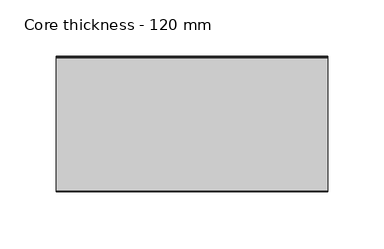
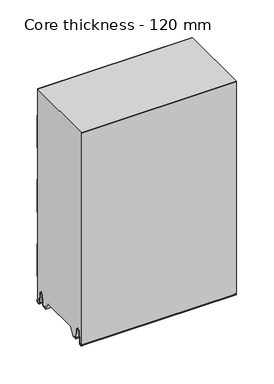
"""IFC4 building model written with IfcOpenShell, lengths in millimetres: plate geometry, Core thickness - 120 mm."""

from ifc_helpers import new_model, si_unit, frame, origin, place, context, project, spatial, polyline, circle_curve, source, transform, mapped, element, save
from ifc_brep_helpers import plane_surface, cylinder_surface, revolved_surface, advanced_brep


def core_thickness_120_mm_6b012c5b(model_context):
    return source(origin(), model_context, "Body", "AdvancedBrep", [
        advanced_brep(
        [(119.9999998, -119.9996949, 3.0900682), (119.9999998, -113.81449, 2.7875612), (119.9999998, -112.197116, 19.2828169), (119.9999998, -109.1776715, 21.9898782), (119.9999998, -106.1582271, 19.2828169), (119.9999998, -104.7725998, 5.1510966), (119.9999998, -100.3830995, 5.365779), (119.9999998, -101.1830995, 5.365779), (119.9999998, -103.9764178, 5.2291629), (119.9999998, -105.3620451, 19.3608832), (119.9999998, -109.1776715, 22.7899182), (119.9999998, -112.9932979, 19.3608832), (119.9999998, -114.6106719, 2.8656275), (119.9999998, -119.1996949, 3.0900682), (119.9999998, -119.2, 350.0), (119.9999998, -119.9996949, 350.0), (-119.9999998, -119.1996949, 3.0900682), (-119.9999998, -114.6106719, 2.8656275), (-119.9999998, -112.9932979, 19.3608832), (-119.9999998, -109.1776715, 22.7899182), (-119.9999998, -105.3620451, 19.3608832), (-119.9999998, -103.9764178, 5.2291629), (-119.9999998, -101.1830995, 5.365779), (-119.9999998, -100.3830995, 5.365779), (-119.9999998, -104.7725998, 5.1510966), (-119.9999998, -106.1582271, 19.2828169), (-119.9999998, -109.1776715, 21.9898782), (-119.9999998, -112.197116, 19.2828169), (-119.9999998, -113.81449, 2.7875612), (-119.9999998, -119.9996949, 3.0900682), (-119.9999998, -119.9996949, 350.0), (-119.9999998, -119.2, 350.0)],
        [
            (0, 1, circle_curve(frame((119.9999998, -116.8996949, 3.0900682), z_axis=(1.0, 0.0, 0.0), x_axis=(0.0, 0.0, -1.0)), 3.1)),
            (1, 2),
            (2, 3, circle_curve(frame((119.9999998, -109.2114338, 18.9900682), z_axis=(-1.0, 0.0, 0.0), x_axis=(0.0, 0.0, -1.0)), 3.0)),
            (3, 4, circle_curve(frame((119.9999998, -109.1439093, 18.9900682), z_axis=(-1.0, 0.0, 0.0), x_axis=(0.0, 0.0, -1.0)), 3.0)),
            (4, 5),
            (5, 6, circle_curve(frame((119.9999998, -102.5830995, 5.365779), z_axis=(1.0, 0.0, 0.0), x_axis=(0.0, 0.0, -1.0)), 2.2)),
            (6, 7),
            (7, 8, circle_curve(frame((119.9999998, -102.5830995, 5.365779), z_axis=(-1.0, 0.0, 0.0), x_axis=(0.0, 0.0, -1.0)), 1.4)),
            (8, 9),
            (9, 10, circle_curve(frame((119.9999998, -109.1439093, 18.9900682), z_axis=(1.0, 0.0, 0.0), x_axis=(0.0, 0.0, -1.0)), 3.8)),
            (10, 11, circle_curve(frame((119.9999998, -109.2114338, 18.9900682), z_axis=(1.0, 0.0, 0.0), x_axis=(0.0, 0.0, -1.0)), 3.8)),
            (11, 12),
            (12, 13, circle_curve(frame((119.9999998, -116.8996949, 3.0900682), z_axis=(-1.0, 0.0, 0.0), x_axis=(0.0, 0.0, -1.0)), 2.3)),
            (13, 14),
            (14, 15),
            (15, 0),
            (16, 17, circle_curve(frame((-119.9999998, -116.8996949, 3.0900682), z_axis=(1.0, 0.0, 0.0), x_axis=(0.0, 0.0, -1.0)), 2.3)),
            (17, 18),
            (18, 19, circle_curve(frame((-119.9999998, -109.2114338, 18.9900682), z_axis=(-1.0, 0.0, 0.0), x_axis=(0.0, 0.0, -1.0)), 3.8)),
            (19, 20, circle_curve(frame((-119.9999998, -109.1439093, 18.9900682), z_axis=(-1.0, 0.0, 0.0), x_axis=(0.0, 0.0, -1.0)), 3.8)),
            (20, 21),
            (21, 22, circle_curve(frame((-119.9999998, -102.5830995, 5.365779), z_axis=(1.0, 0.0, 0.0), x_axis=(0.0, 0.0, -1.0)), 1.4)),
            (22, 23),
            (23, 24, circle_curve(frame((-119.9999998, -102.5830995, 5.365779), z_axis=(-1.0, 0.0, 0.0), x_axis=(0.0, 0.0, -1.0)), 2.2)),
            (24, 25),
            (25, 26, circle_curve(frame((-119.9999998, -109.1439093, 18.9900682), z_axis=(1.0, 0.0, 0.0), x_axis=(0.0, 0.0, -1.0)), 3.0)),
            (26, 27, circle_curve(frame((-119.9999998, -109.2114338, 18.9900682), z_axis=(1.0, 0.0, 0.0), x_axis=(0.0, 0.0, -1.0)), 3.0)),
            (27, 28),
            (28, 29, circle_curve(frame((-119.9999998, -116.8996949, 3.0900682), z_axis=(-1.0, 0.0, 0.0), x_axis=(0.0, 0.0, -1.0)), 3.1)),
            (29, 30),
            (30, 31),
            (31, 16),
            (13, 16),
            (31, 14),
            (29, 0),
            (15, 30),
            (12, 17),
            (11, 18),
            (10, 19),
            (9, 20),
            (8, 21),
            (7, 22),
            (6, 23),
            (5, 24),
            (4, 25),
            (3, 26),
            (2, 27),
            (1, 28),
        ],
        [
            plane_surface(frame((119.9999998, -120.0, 0.0), z_axis=(1.0, 0.0, 0.0), x_axis=(0.0, 1.0, 0.0))),
            plane_surface(frame((-119.9999998, -120.0, 0.0), z_axis=(-1.0, 0.0, 0.0), x_axis=(0.0, 1.0, 0.0))),
            plane_surface(frame((119.9999998, -119.2, 3.0900682), z_axis=(0.0, 1.0, 0.0), x_axis=(-1.0, 0.0, 0.0))),
            plane_surface(frame((119.9999998, -119.9996949, 1143.9000005), z_axis=(0.0, -1.0, 0.0), x_axis=(-1.0, 0.0, 0.0))),
            revolved_surface(polyline([(-119.9999998, -116.8996949, 0.7900682000000003), (119.9999998, -116.8996949, 0.7900682000000003)]), (119.9999998, -116.8996949, 3.0900682), (-1.0, 0.0, 0.0)),
            plane_surface(frame((119.9999998, -112.9932979, 19.3608832), z_axis=(0.0, -0.9952273999818314, 0.09758289975914787), x_axis=(-1.0, 0.0, 0.0))),
            cylinder_surface(frame((119.9999998, -109.2114338, 18.9900682), z_axis=(1.0, 0.0, 0.0), x_axis=(0.0, 0.0, -1.0)), 3.8),
            cylinder_surface(frame((119.9999998, -109.1439093, 18.9900682), z_axis=(1.0, 0.0, 0.0), x_axis=(0.0, 0.0, -1.0)), 3.8),
            plane_surface(frame((119.9999998, -103.9764178, 5.2291629), z_axis=(0.0, 0.9952273999818297, 0.09758289975916531), x_axis=(-1.0, 0.0, 0.0))),
            revolved_surface(polyline([(-119.9999998, -102.5830995, 3.965779), (119.9999998, -102.5830995, 3.965779)]), (119.9999998, -102.5830995, 5.365779), (-1.0, 0.0, 0.0)),
            plane_surface(frame((119.9999998, -100.3830995, 5.365779), z_axis=(0.0, 0.0, 1.0), x_axis=(-1.0, 0.0, 0.0))),
            cylinder_surface(frame((119.9999998, -102.5830995, 5.365779), z_axis=(1.0, 0.0, 0.0), x_axis=(0.0, 0.0, -1.0)), 2.2),
            plane_surface(frame((119.9999998, -106.1582271, 19.2828169), z_axis=(0.0, -0.9952273999818296, -0.09758289975916527), x_axis=(-1.0, 0.0, 0.0))),
            revolved_surface(polyline([(-119.9999998, -109.1439093, 15.9900682), (119.9999998, -109.1439093, 15.9900682)]), (119.9999998, -109.1439093, 18.9900682), (-1.0, 0.0, 0.0)),
            revolved_surface(polyline([(-119.9999998, -109.2114338, 15.9900682), (119.9999998, -109.2114338, 15.9900682)]), (119.9999998, -109.2114338, 18.9900682), (-1.0, 0.0, 0.0)),
            plane_surface(frame((119.9999998, -113.81449, 2.7875612), z_axis=(0.0, 0.9952273999818314, -0.09758289975914787), x_axis=(-1.0, 0.0, 0.0))),
            cylinder_surface(frame((119.9999998, -116.8996949, 3.0900682), z_axis=(1.0, 0.0, 0.0), x_axis=(0.0, 0.0, -1.0)), 3.1),
            plane_surface(frame((-119.9999998, 134.0533409, 350.0), z_axis=(0.0, 0.0, 1.0), x_axis=(1.0, 0.0, 0.0))),
        ],
        [
            (0, [[1, 2, 3, 4, 5, 6, 7, 8, 9, 10, 11, 12, 13, 14, 15, 16]]),
            (1, [[17, 18, 19, 20, 21, 22, 23, 24, 25, 26, 27, 28, 29, 30, 31, 32]]),
            (2, [[33, -32, 34, -14]]),
            (3, [[35, -16, 36, -30]]),
            (4, [[-13, 37, -17, -33]]),
            (5, [[-12, 38, -18, -37]]),
            (6, [[-11, 39, -19, -38]]),
            (7, [[-10, 40, -20, -39]]),
            (8, [[-9, 41, -21, -40]]),
            (9, [[-8, 42, -22, -41]]),
            (10, [[-7, 43, -23, -42]]),
            (11, [[-6, 44, -24, -43]]),
            (12, [[-5, 45, -25, -44]]),
            (13, [[-4, 46, -26, -45]]),
            (14, [[-3, 47, -27, -46]]),
            (15, [[-2, 48, -28, -47]]),
            (16, [[-1, -35, -29, -48]]),
            (17, [[-15, -34, -31, -36]]),
        ],
    ),
        advanced_brep(
        [(119.9999998, -89.873448, 15.1417681), (119.9999998, -30.126552, 15.1417681), (119.9999998, -23.4071318, 3.165779), (119.9999998, -17.4169005, 3.165779), (119.9999998, -19.6169005, 5.365779), (119.9999998, -18.8169005, 5.365779), (119.9999998, -16.0235822, 5.2291629), (119.9999998, -14.6379549, 19.3608832), (119.9999998, -10.8223285, 22.7899182), (119.9999998, -7.0067021, 19.3608832), (119.9999998, -5.3893281, 2.8656275), (119.9999998, -1.0794848, 4.1883784), (119.9999998, -1.5003051, 5.8439114), (119.9999998, -1.5003051, 42.0511837), (119.9999998, -1.0971009, 43.4705951), (119.9999998, -0.8, 44.5229805), (119.9999998, -0.8, 94.6827637), (119.9999998, -1.0986697, 95.7341795), (119.9999998, -1.5003051, 97.1545605), (119.9999998, -1.5003051, 147.3143437), (119.9999998, -1.0971009, 148.7337551), (119.9999998, -0.8, 149.7861405), (119.9999998, -0.8, 199.9459237), (119.9999998, -1.0986697, 200.9973395), (119.9999998, -1.5003051, 202.4177205), (119.9999998, -1.5003051, 252.5775037), (119.9999998, -1.0971009, 253.9969151), (119.9999998, -0.8, 255.0493005), (119.9999998, -0.8, 305.2090837), (119.9999998, -1.0986697, 306.2604995), (119.9999998, -1.5003051, 307.6808805), (119.9999998, -1.5003051, 350.0), (119.9999998, -119.2, 350.0), (119.9999998, -119.2, 3.0900682), (119.9999998, -114.6106719, 2.8656275), (119.9999998, -112.9932979, 19.3608832), (119.9999998, -109.1776715, 22.7899182), (119.9999998, -105.3620451, 19.3608832), (119.9999998, -103.9764178, 5.2291629), (119.9999998, -101.1830995, 5.365779), (119.9999998, -100.3830995, 5.365779), (119.9999998, -102.5830995, 3.165779), (119.9999998, -96.5928682, 3.165779), (-119.9999998, -30.126552, 15.1417681), (-119.9999998, -89.873448, 15.1417681), (-119.9999998, -96.5928682, 3.165779), (-119.9999998, -102.5830995, 3.165779), (-119.9999998, -100.3830995, 5.365779), (-119.9999998, -101.1830995, 5.365779), (-119.9999998, -103.9764178, 5.2291629), (-119.9999998, -105.3620451, 19.3608832), (-119.9999998, -109.1776715, 22.7899182), (-119.9999998, -112.9932979, 19.3608832), (-119.9999998, -114.6106719, 2.8656275), (-119.9999998, -119.1996949, 3.0900682), (-119.9999998, -119.2, 350.0), (-119.9999998, -1.5003051, 350.0), (-119.9999998, -1.5003051, 307.6808805), (-119.9999998, -1.0971009, 306.2614691), (-119.9999998, -0.8, 305.2090837), (-119.9999998, -0.8, 255.0493005), (-119.9999998, -1.0986697, 253.9978846), (-119.9999998, -1.5003051, 252.5775037), (-119.9999998, -1.5003051, 202.4177205), (-119.9999998, -1.0971009, 200.9983091), (-119.9999998, -0.8, 199.9459237), (-119.9999998, -0.8, 149.7861405), (-119.9999998, -1.0986697, 148.7347246), (-119.9999998, -1.5003051, 147.3143437), (-119.9999998, -1.5003051, 97.1545605), (-119.9999998, -1.0971009, 95.7351491), (-119.9999998, -0.8, 94.6827637), (-119.9999998, -0.8, 44.5229805), (-119.9999998, -1.0986697, 43.4715646), (-119.9999998, -1.5003051, 42.0511837), (-119.9999998, -1.5003051, 5.8439114), (-119.9999998, -1.0794848, 4.1883784), (-119.9999998, -5.3893281, 2.8656275), (-119.9999998, -7.0067021, 19.3608832), (-119.9999998, -10.8223285, 22.7899182), (-119.9999998, -14.6379549, 19.3608832), (-119.9999998, -16.0235822, 5.2291629), (-119.9999998, -18.8169005, 5.365779), (-119.9999998, -19.6169005, 5.365779), (-119.9999998, -17.4169005, 3.165779), (-119.9999998, -23.4071318, 3.165779)],
        [
            (0, 1),
            (1, 2),
            (2, 3),
            (3, 4, circle_curve(frame((119.9999998, -17.4169005, 5.365779), z_axis=(-1.0, 0.0, 0.0), x_axis=(0.0, 0.0, -1.0)), 2.2)),
            (4, 5),
            (5, 6, circle_curve(frame((119.9999998, -17.4169005, 5.365779), z_axis=(1.0, 0.0, 0.0), x_axis=(0.0, 0.0, -1.0)), 1.4)),
            (6, 7),
            (7, 8, circle_curve(frame((119.9999998, -10.8560907, 18.9900682), z_axis=(-1.0, 0.0, 0.0), x_axis=(0.0, 0.0, -1.0)), 3.8)),
            (8, 9, circle_curve(frame((119.9999998, -10.7885662, 18.9900682), z_axis=(-1.0, 0.0, 0.0), x_axis=(0.0, 0.0, -1.0)), 3.8)),
            (9, 10),
            (10, 11, circle_curve(frame((119.9999998, -3.1003051, 3.0900682), z_axis=(1.0, 0.0, 0.0), x_axis=(0.0, 0.0, -1.0)), 2.3)),
            (11, 12, circle_curve(frame((119.9999998, 1.9665895, 5.8439114), z_axis=(-1.0, 0.0, 0.0), x_axis=(0.0, 0.0, -1.0)), 3.4668946)),
            (12, 13),
            (13, 14, circle_curve(frame((119.9999998, 1.1996949, 42.0511837), z_axis=(-1.0, 0.0, 0.0), x_axis=(0.0, 0.0, -1.0)), 2.7)),
            (14, 15, circle_curve(frame((119.9999998, -2.8, 44.5229805), z_axis=(1.0, 0.0, 0.0), x_axis=(0.0, 0.0, -1.0)), 2.0)),
            (15, 16),
            (16, 17, circle_curve(frame((119.9999998, -2.8, 94.6827637), z_axis=(1.0, 0.0, 0.0), x_axis=(0.0, 0.0, -1.0)), 2.0)),
            (17, 18, circle_curve(frame((119.9999998, 1.1996949, 97.1545605), z_axis=(-1.0, 0.0, 0.0), x_axis=(0.0, 0.0, -1.0)), 2.7)),
            (18, 19),
            (19, 20, circle_curve(frame((119.9999998, 1.1996949, 147.3143437), z_axis=(-1.0, 0.0, 0.0), x_axis=(0.0, 0.0, -1.0)), 2.7)),
            (20, 21, circle_curve(frame((119.9999998, -2.8, 149.7861405), z_axis=(1.0, 0.0, 0.0), x_axis=(0.0, 0.0, -1.0)), 2.0)),
            (21, 22),
            (22, 23, circle_curve(frame((119.9999998, -2.8, 199.9459237), z_axis=(1.0, 0.0, 0.0), x_axis=(0.0, 0.0, -1.0)), 2.0)),
            (23, 24, circle_curve(frame((119.9999998, 1.1996949, 202.4177205), z_axis=(-1.0, 0.0, 0.0), x_axis=(0.0, 0.0, -1.0)), 2.7)),
            (24, 25),
            (25, 26, circle_curve(frame((119.9999998, 1.1996949, 252.5775037), z_axis=(-1.0, 0.0, 0.0), x_axis=(0.0, 0.0, -1.0)), 2.7)),
            (26, 27, circle_curve(frame((119.9999998, -2.8, 255.0493005), z_axis=(1.0, 0.0, 0.0), x_axis=(0.0, 0.0, -1.0)), 2.0)),
            (27, 28),
            (28, 29, circle_curve(frame((119.9999998, -2.8, 305.2090837), z_axis=(1.0, 0.0, 0.0), x_axis=(0.0, 0.0, -1.0)), 2.0)),
            (29, 30, circle_curve(frame((119.9999998, 1.1996949, 307.6808805), z_axis=(-1.0, 0.0, 0.0), x_axis=(0.0, 0.0, -1.0)), 2.7)),
            (30, 31),
            (31, 32),
            (32, 33),
            (33, 34, circle_curve(frame((119.9999998, -116.8996949, 3.0900682), z_axis=(1.0, 0.0, 0.0), x_axis=(0.0, 0.0, -1.0)), 2.3)),
            (34, 35),
            (35, 36, circle_curve(frame((119.9999998, -109.2114338, 18.9900682), z_axis=(-1.0, 0.0, 0.0), x_axis=(0.0, 0.0, -1.0)), 3.8)),
            (36, 37, circle_curve(frame((119.9999998, -109.1439093, 18.9900682), z_axis=(-1.0, 0.0, 0.0), x_axis=(0.0, 0.0, -1.0)), 3.8)),
            (37, 38),
            (38, 39, circle_curve(frame((119.9999998, -102.5830995, 5.365779), z_axis=(1.0, 0.0, 0.0), x_axis=(0.0, 0.0, -1.0)), 1.4)),
            (39, 40),
            (40, 41, circle_curve(frame((119.9999998, -102.5830995, 5.365779), z_axis=(-1.0, 0.0, 0.0), x_axis=(0.0, 0.0, -1.0)), 2.2)),
            (41, 42),
            (42, 0),
            (43, 44),
            (44, 45),
            (45, 46),
            (46, 47, circle_curve(frame((-119.9999998, -102.5830995, 5.365779), z_axis=(1.0, 0.0, 0.0), x_axis=(0.0, 0.0, -1.0)), 2.2)),
            (47, 48),
            (48, 49, circle_curve(frame((-119.9999998, -102.5830995, 5.365779), z_axis=(-1.0, 0.0, 0.0), x_axis=(0.0, 0.0, -1.0)), 1.4)),
            (49, 50),
            (50, 51, circle_curve(frame((-119.9999998, -109.1439093, 18.9900682), z_axis=(1.0, 0.0, 0.0), x_axis=(0.0, 0.0, -1.0)), 3.8)),
            (51, 52, circle_curve(frame((-119.9999998, -109.2114338, 18.9900682), z_axis=(1.0, 0.0, 0.0), x_axis=(0.0, 0.0, -1.0)), 3.8)),
            (52, 53),
            (53, 54, circle_curve(frame((-119.9999998, -116.8996949, 3.0900682), z_axis=(-1.0, 0.0, 0.0), x_axis=(0.0, 0.0, -1.0)), 2.3)),
            (54, 55),
            (55, 56),
            (56, 57),
            (57, 58, circle_curve(frame((-119.9999998, 1.1996949, 307.6808805), z_axis=(1.0, 0.0, 0.0), x_axis=(0.0, 0.0, -1.0)), 2.7)),
            (58, 59, circle_curve(frame((-119.9999998, -2.8, 305.2090837), z_axis=(-1.0, 0.0, 0.0), x_axis=(0.0, 0.0, -1.0)), 2.0)),
            (59, 60),
            (60, 61, circle_curve(frame((-119.9999998, -2.8, 255.0493005), z_axis=(-1.0, 0.0, 0.0), x_axis=(0.0, 0.0, -1.0)), 2.0)),
            (61, 62, circle_curve(frame((-119.9999998, 1.1996949, 252.5775037), z_axis=(1.0, 0.0, 0.0), x_axis=(0.0, 0.0, -1.0)), 2.7)),
            (62, 63),
            (63, 64, circle_curve(frame((-119.9999998, 1.1996949, 202.4177205), z_axis=(1.0, 0.0, 0.0), x_axis=(0.0, 0.0, -1.0)), 2.7)),
            (64, 65, circle_curve(frame((-119.9999998, -2.8, 199.9459237), z_axis=(-1.0, 0.0, 0.0), x_axis=(0.0, 0.0, -1.0)), 2.0)),
            (65, 66),
            (66, 67, circle_curve(frame((-119.9999998, -2.8, 149.7861405), z_axis=(-1.0, 0.0, 0.0), x_axis=(0.0, 0.0, -1.0)), 2.0)),
            (67, 68, circle_curve(frame((-119.9999998, 1.1996949, 147.3143437), z_axis=(1.0, 0.0, 0.0), x_axis=(0.0, 0.0, -1.0)), 2.7)),
            (68, 69),
            (69, 70, circle_curve(frame((-119.9999998, 1.1996949, 97.1545605), z_axis=(1.0, 0.0, 0.0), x_axis=(0.0, 0.0, -1.0)), 2.7)),
            (70, 71, circle_curve(frame((-119.9999998, -2.8, 94.6827637), z_axis=(-1.0, 0.0, 0.0), x_axis=(0.0, 0.0, -1.0)), 2.0)),
            (71, 72),
            (72, 73, circle_curve(frame((-119.9999998, -2.8, 44.5229805), z_axis=(-1.0, 0.0, 0.0), x_axis=(0.0, 0.0, -1.0)), 2.0)),
            (73, 74, circle_curve(frame((-119.9999998, 1.1996949, 42.0511837), z_axis=(1.0, 0.0, 0.0), x_axis=(0.0, 0.0, -1.0)), 2.7)),
            (74, 75),
            (75, 76, circle_curve(frame((-119.9999998, 1.9665895, 5.8439114), z_axis=(1.0, 0.0, 0.0), x_axis=(0.0, 0.0, -1.0)), 3.4668946)),
            (76, 77, circle_curve(frame((-119.9999998, -3.1003051, 3.0900682), z_axis=(-1.0, 0.0, 0.0), x_axis=(0.0, 0.0, -1.0)), 2.3)),
            (77, 78),
            (78, 79, circle_curve(frame((-119.9999998, -10.7885662, 18.9900682), z_axis=(1.0, 0.0, 0.0), x_axis=(0.0, 0.0, -1.0)), 3.8)),
            (79, 80, circle_curve(frame((-119.9999998, -10.8560907, 18.9900682), z_axis=(1.0, 0.0, 0.0), x_axis=(0.0, 0.0, -1.0)), 3.8)),
            (80, 81),
            (81, 82, circle_curve(frame((-119.9999998, -17.4169005, 5.365779), z_axis=(-1.0, 0.0, 0.0), x_axis=(0.0, 0.0, -1.0)), 1.4)),
            (82, 83),
            (83, 84, circle_curve(frame((-119.9999998, -17.4169005, 5.365779), z_axis=(1.0, 0.0, 0.0), x_axis=(0.0, 0.0, -1.0)), 2.2)),
            (84, 85),
            (85, 43),
            (1, 43),
            (85, 2),
            (0, 44),
            (42, 45),
            (64, 23),
            (22, 65),
            (63, 24),
            (62, 25),
            (61, 26),
            (60, 27),
            (59, 28),
            (58, 29),
            (57, 30),
            (56, 31),
            (54, 33),
            (32, 55),
            (84, 3),
            (41, 46),
            (83, 4),
            (82, 5),
            (81, 6),
            (80, 7),
            (79, 8),
            (78, 9),
            (77, 10),
            (76, 11),
            (75, 12),
            (74, 13),
            (73, 14),
            (72, 15),
            (71, 16),
            (70, 17),
            (69, 18),
            (68, 19),
            (67, 20),
            (66, 21),
            (53, 34),
            (52, 35),
            (51, 36),
            (50, 37),
            (49, 38),
            (48, 39),
            (47, 40),
        ],
        [
            plane_surface(frame((119.9999998, 0.0, 0.0), z_axis=(1.0, 0.0, 0.0), x_axis=(0.0, -1.0, 0.0))),
            plane_surface(frame((-119.9999998, 0.0, 0.0), z_axis=(-1.0, 0.0, 0.0), x_axis=(0.0, -1.0, 0.0))),
            plane_surface(frame((119.9999998, -30.126552, 15.1417681), z_axis=(0.0, -0.8721062992196836, -0.4893164649399687), x_axis=(-1.0, 0.0, 0.0))),
            plane_surface(frame((119.9999998, -89.873448, 15.1417681), z_axis=(0.0, 0.0, -1.0), x_axis=(-1.0, 0.0, 0.0))),
            plane_surface(frame((119.9999998, -96.8190247, 2.7627014), z_axis=(0.0, 0.8721062992196832, -0.4893164649399697), x_axis=(-1.0, 0.0, 0.0))),
            cylinder_surface(frame((249.9999998, -2.8, 199.9459237), z_axis=(-1.0, 0.0, 0.0), x_axis=(0.0, 0.0, -1.0)), 2.0),
            revolved_surface(polyline([(119.99999980000001, 1.1996949, 199.7177205), (-119.99999980000001, 1.1996949, 199.7177205)]), (249.9999998, 1.1996949, 202.4177205), (1.0, 0.0, 0.0)),
            plane_surface(frame((249.9999998, -1.5003051, 252.5775037), z_axis=(0.0, 1.0, 0.0), x_axis=(-1.0, 0.0, 0.0))),
            revolved_surface(polyline([(119.99999980000001, 1.1996949, 249.8775037), (-119.99999980000001, 1.1996949, 249.8775037)]), (249.9999998, 1.1996949, 252.5775037), (1.0, 0.0, 0.0)),
            cylinder_surface(frame((249.9999998, -2.8, 255.0493005), z_axis=(-1.0, 0.0, 0.0), x_axis=(0.0, 0.0, -1.0)), 2.0),
            plane_surface(frame((249.9999998, -0.8, 305.2090837), z_axis=(0.0, 1.0, 0.0), x_axis=(-1.0, 0.0, 0.0))),
            cylinder_surface(frame((249.9999998, -2.8, 305.2090837), z_axis=(-1.0, 0.0, 0.0), x_axis=(0.0, 0.0, -1.0)), 2.0),
            revolved_surface(polyline([(119.99999980000001, 1.1996949, 304.9808805), (-119.99999980000001, 1.1996949, 304.9808805)]), (249.9999998, 1.1996949, 307.6808805), (1.0, 0.0, 0.0)),
            plane_surface(frame((249.9999998, -1.5003051, 357.8406637), z_axis=(0.0, 1.0, 0.0), x_axis=(-1.0, 0.0, 0.0))),
            plane_surface(frame((249.9999998, -119.2, 3.0900682), z_axis=(0.0, -1.0, 0.0), x_axis=(-1.0, 0.0, 0.0))),
            plane_surface(frame((-119.9999998, -102.5830995, 3.165779), z_axis=(0.0, 0.0, -1.0), x_axis=(1.0, 0.0, 0.0))),
            revolved_surface(polyline([(119.99999980000001, -17.4169005, 3.1657789999999997), (-119.99999980000001, -17.4169005, 3.1657789999999997)]), (249.9999998, -17.4169005, 5.365779), (1.0, 0.0, 0.0)),
            plane_surface(frame((249.9999998, -18.8169005, 5.365779), z_axis=(0.0, 0.0, -1.0), x_axis=(-1.0, 0.0, 0.0))),
            cylinder_surface(frame((249.9999998, -17.4169005, 5.365779), z_axis=(-1.0, 0.0, 0.0), x_axis=(0.0, 0.0, -1.0)), 1.4),
            plane_surface(frame((249.9999998, -14.6379549, 19.3608832), z_axis=(0.0, 0.9952273999818297, -0.09758289975916531), x_axis=(-1.0, 0.0, 0.0))),
            revolved_surface(polyline([(119.99999980000001, -10.8560907, 15.190068199999999), (-119.99999980000001, -10.8560907, 15.190068199999999)]), (249.9999998, -10.8560907, 18.9900682), (1.0, 0.0, 0.0)),
            revolved_surface(polyline([(119.99999980000001, -10.7885662, 15.190068199999999), (-119.99999980000001, -10.7885662, 15.190068199999999)]), (249.9999998, -10.7885662, 18.9900682), (1.0, 0.0, 0.0)),
            plane_surface(frame((249.9999998, -5.3893281, 2.8656275), z_axis=(0.0, -0.9952273999818314, -0.09758289975914787), x_axis=(-1.0, 0.0, 0.0))),
            cylinder_surface(frame((249.9999998, -3.1003051, 3.0900682), z_axis=(-1.0, 0.0, 0.0), x_axis=(0.0, 0.0, -1.0)), 2.3),
            revolved_surface(polyline([(119.99999980000001, 1.9665895, 2.3770168), (-119.99999980000001, 1.9665895, 2.3770168)]), (249.9999998, 1.9665895, 5.8439114), (1.0, 0.0, 0.0)),
            plane_surface(frame((249.9999998, -1.5003051, 42.0511837), z_axis=(0.0, 1.0, 0.0), x_axis=(-1.0, 0.0, 0.0))),
            revolved_surface(polyline([(119.99999980000001, 1.1996949, 39.3511837), (-119.99999980000001, 1.1996949, 39.3511837)]), (249.9999998, 1.1996949, 42.0511837), (1.0, 0.0, 0.0)),
            cylinder_surface(frame((249.9999998, -2.8, 44.5229805), z_axis=(-1.0, 0.0, 0.0), x_axis=(0.0, 0.0, -1.0)), 2.0),
            plane_surface(frame((249.9999998, -0.8, 94.6827637), z_axis=(0.0, 1.0, 0.0), x_axis=(-1.0, 0.0, 0.0))),
            cylinder_surface(frame((249.9999998, -2.8, 94.6827637), z_axis=(-1.0, 0.0, 0.0), x_axis=(0.0, 0.0, -1.0)), 2.0),
            revolved_surface(polyline([(119.99999980000001, 1.1996949, 94.4545605), (-119.99999980000001, 1.1996949, 94.4545605)]), (249.9999998, 1.1996949, 97.1545605), (1.0, 0.0, 0.0)),
            plane_surface(frame((249.9999998, -1.5003051, 147.3143437), z_axis=(0.0, 1.0, 0.0), x_axis=(-1.0, 0.0, 0.0))),
            revolved_surface(polyline([(119.99999980000001, 1.1996949, 144.6143437), (-119.99999980000001, 1.1996949, 144.6143437)]), (249.9999998, 1.1996949, 147.3143437), (1.0, 0.0, 0.0)),
            cylinder_surface(frame((249.9999998, -2.8, 149.7861405), z_axis=(-1.0, 0.0, 0.0), x_axis=(0.0, 0.0, -1.0)), 2.0),
            plane_surface(frame((249.9999998, -0.8, 199.9459237), z_axis=(0.0, 1.0, 0.0), x_axis=(-1.0, 0.0, 0.0))),
            cylinder_surface(frame((249.9999998, -116.8996949, 3.0900682), z_axis=(-1.0, 0.0, 0.0), x_axis=(0.0, 0.0, -1.0)), 2.3),
            plane_surface(frame((249.9999998, -112.9932979, 19.3608832), z_axis=(0.0, 0.9952273999818314, -0.09758289975914787), x_axis=(-1.0, 0.0, 0.0))),
            revolved_surface(polyline([(119.99999980000001, -109.2114338, 15.190068199999999), (-119.99999980000001, -109.2114338, 15.190068199999999)]), (249.9999998, -109.2114338, 18.9900682), (1.0, 0.0, 0.0)),
            revolved_surface(polyline([(119.99999980000001, -109.1439093, 15.190068199999999), (-119.99999980000001, -109.1439093, 15.190068199999999)]), (249.9999998, -109.1439093, 18.9900682), (1.0, 0.0, 0.0)),
            plane_surface(frame((249.9999998, -103.9764178, 5.2291629), z_axis=(0.0, -0.9952273999818297, -0.09758289975916531), x_axis=(-1.0, 0.0, 0.0))),
            cylinder_surface(frame((249.9999998, -102.5830995, 5.365779), z_axis=(-1.0, 0.0, 0.0), x_axis=(0.0, 0.0, -1.0)), 1.4),
            plane_surface(frame((249.9999998, -100.3830995, 5.365779), z_axis=(0.0, 0.0, -1.0), x_axis=(-1.0, 0.0, 0.0))),
            revolved_surface(polyline([(119.99999980000001, -102.5830995, 3.1657789999999997), (-119.99999980000001, -102.5830995, 3.1657789999999997)]), (249.9999998, -102.5830995, 5.365779), (1.0, 0.0, 0.0)),
            plane_surface(frame((-119.9999998, 134.0533409, 350.0), z_axis=(0.0, 0.0, 1.0), x_axis=(1.0, 0.0, 0.0))),
        ],
        [
            (0, [[1, 2, 3, 4, 5, 6, 7, 8, 9, 10, 11, 12, 13, 14, 15, 16, 17, 18, 19, 20, 21, 22, 23, 24, 25, 26, 27, 28, 29, 30, 31, 32, 33, 34, 35, 36, 37, 38, 39, 40, 41, 42, 43]]),
            (1, [[44, 45, 46, 47, 48, 49, 50, 51, 52, 53, 54, 55, 56, 57, 58, 59, 60, 61, 62, 63, 64, 65, 66, 67, 68, 69, 70, 71, 72, 73, 74, 75, 76, 77, 78, 79, 80, 81, 82, 83, 84, 85, 86]]),
            (2, [[87, -86, 88, -2]]),
            (3, [[-1, 89, -44, -87]]),
            (4, [[-89, -43, 90, -45]]),
            (5, [[91, -23, 92, -65]]),
            (6, [[-91, -64, 93, -24]]),
            (7, [[-93, -63, 94, -25]]),
            (8, [[-94, -62, 95, -26]]),
            (9, [[-95, -61, 96, -27]]),
            (10, [[-96, -60, 97, -28]]),
            (11, [[-97, -59, 98, -29]]),
            (12, [[-98, -58, 99, -30]]),
            (13, [[-99, -57, 100, -31]]),
            (14, [[101, -33, 102, -55]]),
            (15, [[-3, -88, -85, 103]]),
            (15, [[-42, 104, -46, -90]]),
            (16, [[105, -4, -103, -84]]),
            (17, [[-105, -83, 106, -5]]),
            (18, [[-106, -82, 107, -6]]),
            (19, [[-107, -81, 108, -7]]),
            (20, [[-108, -80, 109, -8]]),
            (21, [[-109, -79, 110, -9]]),
            (22, [[-110, -78, 111, -10]]),
            (23, [[-111, -77, 112, -11]]),
            (24, [[-112, -76, 113, -12]]),
            (25, [[-113, -75, 114, -13]]),
            (26, [[-114, -74, 115, -14]]),
            (27, [[-115, -73, 116, -15]]),
            (28, [[-116, -72, 117, -16]]),
            (29, [[-117, -71, 118, -17]]),
            (30, [[-118, -70, 119, -18]]),
            (31, [[-119, -69, 120, -19]]),
            (32, [[-120, -68, 121, -20]]),
            (33, [[-121, -67, 122, -21]]),
            (34, [[-122, -66, -92, -22]]),
            (35, [[-101, -54, 123, -34]]),
            (36, [[-123, -53, 124, -35]]),
            (37, [[-124, -52, 125, -36]]),
            (38, [[-125, -51, 126, -37]]),
            (39, [[-126, -50, 127, -38]]),
            (40, [[-127, -49, 128, -39]]),
            (41, [[-128, -48, 129, -40]]),
            (42, [[-129, -47, -104, -41]]),
            (43, [[-100, -56, -102, -32]]),
        ],
    ),
        advanced_brep(
        [(-119.9999998, -0.7003051, 307.6808805), (-119.9999998, -0.4016712, 306.6295226), (-119.9999998, -0.0003051, 305.2090837), (-119.9999998, -0.0003051, 255.0493005), (-119.9999998, -0.4034608, 253.6299674), (-119.9999998, -0.7003051, 252.5775037), (-119.9999998, -0.7003051, 202.4177205), (-119.9999998, -0.4016712, 201.3663626), (-119.9999998, -0.0003051, 199.9459237), (-119.9999998, -0.0003051, 149.7861405), (-119.9999998, -0.4034608, 148.3668074), (-119.9999998, -0.7003051, 147.3143437), (-119.9999998, -0.7003051, 97.1545605), (-119.9999998, -0.4016712, 96.1032026), (-119.9999998, -0.0003051, 94.6827637), (-119.9999998, -0.0003051, 44.5229805), (-119.9999998, -0.4034608, 43.1036474), (-119.9999998, -0.7003051, 42.0511837), (-119.9999998, -0.7003051, 6.8391397), (-119.9999998, -0.2091664, 4.208691), (-119.9999998, -6.18551, 2.7875612), (-119.9999998, -7.802884, 19.2828169), (-119.9999998, -10.8223285, 21.9898782), (-119.9999998, -13.8417729, 19.2828169), (-119.9999998, -15.2274002, 5.1510966), (-119.9999998, -19.6169005, 5.365779), (-119.9999998, -18.8169005, 5.365779), (-119.9999998, -16.0235822, 5.2291629), (-119.9999998, -14.6379549, 19.3608832), (-119.9999998, -10.8223285, 22.7899182), (-119.9999998, -7.0067021, 19.3608832), (-119.9999998, -5.3893281, 2.8656275), (-119.9999998, -1.0794848, 4.1883784), (-119.9999998, -1.5003051, 5.8439114), (-119.9999998, -1.5003051, 42.0511837), (-119.9999998, -1.0971009, 43.4705951), (-119.9999998, -0.8, 44.5229805), (-119.9999998, -0.8, 94.6827637), (-119.9999998, -1.0986697, 95.7341795), (-119.9999998, -1.5003051, 97.1545605), (-119.9999998, -1.5003051, 147.3143437), (-119.9999998, -1.0971009, 148.7337551), (-119.9999998, -0.8, 149.7861405), (-119.9999998, -0.8, 199.9459237), (-119.9999998, -1.0986697, 200.9973395), (-119.9999998, -1.5003051, 202.4177205), (-119.9999998, -1.5003051, 252.5775037), (-119.9999998, -1.0971009, 253.9969151), (-119.9999998, -0.8, 255.0493005), (-119.9999998, -0.8, 305.2090837), (-119.9999998, -1.0986697, 306.2604995), (-119.9999998, -1.5003051, 307.6808805), (-119.9999998, -1.5003051, 350.0), (-119.9999998, -0.7003051, 350.0), (119.9999998, -1.5003051, 307.6808805), (119.9999998, -1.0971009, 306.2614691), (119.9999998, -0.8, 305.2090837), (119.9999998, -0.8, 255.0493005), (119.9999998, -1.0986697, 253.9978846), (119.9999998, -1.5003051, 252.5775037), (119.9999998, -1.5003051, 202.4177205), (119.9999998, -1.0971009, 200.9983091), (119.9999998, -0.8, 199.9459237), (119.9999998, -0.8, 149.7861405), (119.9999998, -1.0986697, 148.7347246), (119.9999998, -1.5003051, 147.3143437), (119.9999998, -1.5003051, 97.1545605), (119.9999998, -1.0971009, 95.7351491), (119.9999998, -0.8, 94.6827637), (119.9999998, -0.8, 44.5229805), (119.9999998, -1.0986697, 43.4715646), (119.9999998, -1.5003051, 42.0511837), (119.9999998, -1.5003051, 5.8439114), (119.9999998, -1.0794848, 4.1883784), (119.9999998, -5.3893281, 2.8656275), (119.9999998, -7.0067021, 19.3608832), (119.9999998, -10.8223285, 22.7899182), (119.9999998, -14.6379549, 19.3608832), (119.9999998, -16.0235822, 5.2291629), (119.9999998, -18.8169005, 5.365779), (119.9999998, -19.6169005, 5.365779), (119.9999998, -15.2274002, 5.1510966), (119.9999998, -13.8417729, 19.2828169), (119.9999998, -10.8223285, 21.9898782), (119.9999998, -7.802884, 19.2828169), (119.9999998, -6.18551, 2.7875612), (119.9999998, -0.2091664, 4.208691), (119.9999998, -0.7003051, 6.8391397), (119.9999998, -0.7003051, 42.0511837), (119.9999998, -0.4016712, 43.1025415), (119.9999998, -0.0003051, 44.5229805), (119.9999998, -0.0003051, 94.6827637), (119.9999998, -0.4034608, 96.1020968), (119.9999998, -0.7003051, 97.1545605), (119.9999998, -0.7003051, 147.3143437), (119.9999998, -0.4016712, 148.3657015), (119.9999998, -0.0003051, 149.7861405), (119.9999998, -0.0003051, 199.9459237), (119.9999998, -0.4034608, 201.3652568), (119.9999998, -0.7003051, 202.4177205), (119.9999998, -0.7003051, 252.5775037), (119.9999998, -0.4016712, 253.6288615), (119.9999998, -0.0003051, 255.0493005), (119.9999998, -0.0003051, 305.2090837), (119.9999998, -0.4034608, 306.6284168), (119.9999998, -0.7003051, 307.6808805), (119.9999998, -0.7003051, 350.0), (119.9999998, -1.5003051, 350.0)],
        [
            (0, 1, circle_curve(frame((-119.9999998, 1.2996949, 307.6808805), z_axis=(1.0, 0.0, 0.0), x_axis=(0.0, 0.0, -1.0)), 2.0)),
            (1, 2, circle_curve(frame((-119.9999998, -2.7003051, 305.2090837), z_axis=(-1.0, 0.0, 0.0), x_axis=(0.0, 0.0, -1.0)), 2.7)),
            (2, 3),
            (3, 4, circle_curve(frame((-119.9999998, -2.7003051, 255.0493005), z_axis=(-1.0, 0.0, 0.0), x_axis=(0.0, 0.0, -1.0)), 2.7)),
            (4, 5, circle_curve(frame((-119.9999998, 1.2996949, 252.5775037), z_axis=(1.0, 0.0, 0.0), x_axis=(0.0, 0.0, -1.0)), 2.0)),
            (5, 6),
            (6, 7, circle_curve(frame((-119.9999998, 1.2996949, 202.4177205), z_axis=(1.0, 0.0, 0.0), x_axis=(0.0, 0.0, -1.0)), 2.0)),
            (7, 8, circle_curve(frame((-119.9999998, -2.7003051, 199.9459237), z_axis=(-1.0, 0.0, 0.0), x_axis=(0.0, 0.0, -1.0)), 2.7)),
            (8, 9),
            (9, 10, circle_curve(frame((-119.9999998, -2.7003051, 149.7861405), z_axis=(-1.0, 0.0, 0.0), x_axis=(0.0, 0.0, -1.0)), 2.7)),
            (10, 11, circle_curve(frame((-119.9999998, 1.2996949, 147.3143437), z_axis=(1.0, 0.0, 0.0), x_axis=(0.0, 0.0, -1.0)), 2.0)),
            (11, 12),
            (12, 13, circle_curve(frame((-119.9999998, 1.2996949, 97.1545605), z_axis=(1.0, 0.0, 0.0), x_axis=(0.0, 0.0, -1.0)), 2.0)),
            (13, 14, circle_curve(frame((-119.9999998, -2.7003051, 94.6827637), z_axis=(-1.0, 0.0, 0.0), x_axis=(0.0, 0.0, -1.0)), 2.7)),
            (14, 15),
            (15, 16, circle_curve(frame((-119.9999998, -2.7003051, 44.5229805), z_axis=(-1.0, 0.0, 0.0), x_axis=(0.0, 0.0, -1.0)), 2.7)),
            (16, 17, circle_curve(frame((-119.9999998, 1.2996949, 42.0511837), z_axis=(1.0, 0.0, 0.0), x_axis=(0.0, 0.0, -1.0)), 2.0)),
            (17, 18),
            (18, 19, circle_curve(frame((-119.9999998, 6.5893647, 6.8391397), z_axis=(1.0, 0.0, 0.0), x_axis=(0.0, 0.0, -1.0)), 7.2896698)),
            (19, 20, circle_curve(frame((-119.9999998, -3.1003051, 3.0900682), z_axis=(-1.0, 0.0, 0.0), x_axis=(0.0, 0.0, -1.0)), 3.1)),
            (20, 21),
            (21, 22, circle_curve(frame((-119.9999998, -10.7885662, 18.9900682), z_axis=(1.0, 0.0, 0.0), x_axis=(0.0, 0.0, -1.0)), 3.0)),
            (22, 23, circle_curve(frame((-119.9999998, -10.8560907, 18.9900682), z_axis=(1.0, 0.0, 0.0), x_axis=(0.0, 0.0, -1.0)), 3.0)),
            (23, 24),
            (24, 25, circle_curve(frame((-119.9999998, -17.4169005, 5.365779), z_axis=(-1.0, 0.0, 0.0), x_axis=(0.0, 0.0, -1.0)), 2.2)),
            (25, 26),
            (26, 27, circle_curve(frame((-119.9999998, -17.4169005, 5.365779), z_axis=(1.0, 0.0, 0.0), x_axis=(0.0, 0.0, -1.0)), 1.4)),
            (27, 28),
            (28, 29, circle_curve(frame((-119.9999998, -10.8560907, 18.9900682), z_axis=(-1.0, 0.0, 0.0), x_axis=(0.0, 0.0, -1.0)), 3.8)),
            (29, 30, circle_curve(frame((-119.9999998, -10.7885662, 18.9900682), z_axis=(-1.0, 0.0, 0.0), x_axis=(0.0, 0.0, -1.0)), 3.8)),
            (30, 31),
            (31, 32, circle_curve(frame((-119.9999998, -3.1003051, 3.0900682), z_axis=(1.0, 0.0, 0.0), x_axis=(0.0, 0.0, -1.0)), 2.3)),
            (32, 33, circle_curve(frame((-119.9999998, 1.9665895, 5.8439114), z_axis=(-1.0, 0.0, 0.0), x_axis=(0.0, 0.0, -1.0)), 3.4668946)),
            (33, 34),
            (34, 35, circle_curve(frame((-119.9999998, 1.1996949, 42.0511837), z_axis=(-1.0, 0.0, 0.0), x_axis=(0.0, 0.0, -1.0)), 2.7)),
            (35, 36, circle_curve(frame((-119.9999998, -2.8, 44.5229805), z_axis=(1.0, 0.0, 0.0), x_axis=(0.0, 0.0, -1.0)), 2.0)),
            (36, 37),
            (37, 38, circle_curve(frame((-119.9999998, -2.8, 94.6827637), z_axis=(1.0, 0.0, 0.0), x_axis=(0.0, 0.0, -1.0)), 2.0)),
            (38, 39, circle_curve(frame((-119.9999998, 1.1996949, 97.1545605), z_axis=(-1.0, 0.0, 0.0), x_axis=(0.0, 0.0, -1.0)), 2.7)),
            (39, 40),
            (40, 41, circle_curve(frame((-119.9999998, 1.1996949, 147.3143437), z_axis=(-1.0, 0.0, 0.0), x_axis=(0.0, 0.0, -1.0)), 2.7)),
            (41, 42, circle_curve(frame((-119.9999998, -2.8, 149.7861405), z_axis=(1.0, 0.0, 0.0), x_axis=(0.0, 0.0, -1.0)), 2.0)),
            (42, 43),
            (43, 44, circle_curve(frame((-119.9999998, -2.8, 199.9459237), z_axis=(1.0, 0.0, 0.0), x_axis=(0.0, 0.0, -1.0)), 2.0)),
            (44, 45, circle_curve(frame((-119.9999998, 1.1996949, 202.4177205), z_axis=(-1.0, 0.0, 0.0), x_axis=(0.0, 0.0, -1.0)), 2.7)),
            (45, 46),
            (46, 47, circle_curve(frame((-119.9999998, 1.1996949, 252.5775037), z_axis=(-1.0, 0.0, 0.0), x_axis=(0.0, 0.0, -1.0)), 2.7)),
            (47, 48, circle_curve(frame((-119.9999998, -2.8, 255.0493005), z_axis=(1.0, 0.0, 0.0), x_axis=(0.0, 0.0, -1.0)), 2.0)),
            (48, 49),
            (49, 50, circle_curve(frame((-119.9999998, -2.8, 305.2090837), z_axis=(1.0, 0.0, 0.0), x_axis=(0.0, 0.0, -1.0)), 2.0)),
            (50, 51, circle_curve(frame((-119.9999998, 1.1996949, 307.6808805), z_axis=(-1.0, 0.0, 0.0), x_axis=(0.0, 0.0, -1.0)), 2.7)),
            (51, 52),
            (52, 53),
            (53, 0),
            (54, 55, circle_curve(frame((119.9999998, 1.1996949, 307.6808805), z_axis=(1.0, 0.0, 0.0), x_axis=(0.0, 0.0, -1.0)), 2.7)),
            (55, 56, circle_curve(frame((119.9999998, -2.8, 305.2090837), z_axis=(-1.0, 0.0, 0.0), x_axis=(0.0, 0.0, -1.0)), 2.0)),
            (56, 57),
            (57, 58, circle_curve(frame((119.9999998, -2.8, 255.0493005), z_axis=(-1.0, 0.0, 0.0), x_axis=(0.0, 0.0, -1.0)), 2.0)),
            (58, 59, circle_curve(frame((119.9999998, 1.1996949, 252.5775037), z_axis=(1.0, 0.0, 0.0), x_axis=(0.0, 0.0, -1.0)), 2.7)),
            (59, 60),
            (60, 61, circle_curve(frame((119.9999998, 1.1996949, 202.4177205), z_axis=(1.0, 0.0, 0.0), x_axis=(0.0, 0.0, -1.0)), 2.7)),
            (61, 62, circle_curve(frame((119.9999998, -2.8, 199.9459237), z_axis=(-1.0, 0.0, 0.0), x_axis=(0.0, 0.0, -1.0)), 2.0)),
            (62, 63),
            (63, 64, circle_curve(frame((119.9999998, -2.8, 149.7861405), z_axis=(-1.0, 0.0, 0.0), x_axis=(0.0, 0.0, -1.0)), 2.0)),
            (64, 65, circle_curve(frame((119.9999998, 1.1996949, 147.3143437), z_axis=(1.0, 0.0, 0.0), x_axis=(0.0, 0.0, -1.0)), 2.7)),
            (65, 66),
            (66, 67, circle_curve(frame((119.9999998, 1.1996949, 97.1545605), z_axis=(1.0, 0.0, 0.0), x_axis=(0.0, 0.0, -1.0)), 2.7)),
            (67, 68, circle_curve(frame((119.9999998, -2.8, 94.6827637), z_axis=(-1.0, 0.0, 0.0), x_axis=(0.0, 0.0, -1.0)), 2.0)),
            (68, 69),
            (69, 70, circle_curve(frame((119.9999998, -2.8, 44.5229805), z_axis=(-1.0, 0.0, 0.0), x_axis=(0.0, 0.0, -1.0)), 2.0)),
            (70, 71, circle_curve(frame((119.9999998, 1.1996949, 42.0511837), z_axis=(1.0, 0.0, 0.0), x_axis=(0.0, 0.0, -1.0)), 2.7)),
            (71, 72),
            (72, 73, circle_curve(frame((119.9999998, 1.9665895, 5.8439114), z_axis=(1.0, 0.0, 0.0), x_axis=(0.0, 0.0, -1.0)), 3.4668946)),
            (73, 74, circle_curve(frame((119.9999998, -3.1003051, 3.0900682), z_axis=(-1.0, 0.0, 0.0), x_axis=(0.0, 0.0, -1.0)), 2.3)),
            (74, 75),
            (75, 76, circle_curve(frame((119.9999998, -10.7885662, 18.9900682), z_axis=(1.0, 0.0, 0.0), x_axis=(0.0, 0.0, -1.0)), 3.8)),
            (76, 77, circle_curve(frame((119.9999998, -10.8560907, 18.9900682), z_axis=(1.0, 0.0, 0.0), x_axis=(0.0, 0.0, -1.0)), 3.8)),
            (77, 78),
            (78, 79, circle_curve(frame((119.9999998, -17.4169005, 5.365779), z_axis=(-1.0, 0.0, 0.0), x_axis=(0.0, 0.0, -1.0)), 1.4)),
            (79, 80),
            (80, 81, circle_curve(frame((119.9999998, -17.4169005, 5.365779), z_axis=(1.0, 0.0, 0.0), x_axis=(0.0, 0.0, -1.0)), 2.2)),
            (81, 82),
            (82, 83, circle_curve(frame((119.9999998, -10.8560907, 18.9900682), z_axis=(-1.0, 0.0, 0.0), x_axis=(0.0, 0.0, -1.0)), 3.0)),
            (83, 84, circle_curve(frame((119.9999998, -10.7885662, 18.9900682), z_axis=(-1.0, 0.0, 0.0), x_axis=(0.0, 0.0, -1.0)), 3.0)),
            (84, 85),
            (85, 86, circle_curve(frame((119.9999998, -3.1003051, 3.0900682), z_axis=(1.0, 0.0, 0.0), x_axis=(0.0, 0.0, -1.0)), 3.1)),
            (86, 87, circle_curve(frame((119.9999998, 6.5893647, 6.8391397), z_axis=(-1.0, 0.0, 0.0), x_axis=(0.0, 0.0, -1.0)), 7.2896698)),
            (87, 88),
            (88, 89, circle_curve(frame((119.9999998, 1.2996949, 42.0511837), z_axis=(-1.0, 0.0, 0.0), x_axis=(0.0, 0.0, -1.0)), 2.0)),
            (89, 90, circle_curve(frame((119.9999998, -2.7003051, 44.5229805), z_axis=(1.0, 0.0, 0.0), x_axis=(0.0, 0.0, -1.0)), 2.7)),
            (90, 91),
            (91, 92, circle_curve(frame((119.9999998, -2.7003051, 94.6827637), z_axis=(1.0, 0.0, 0.0), x_axis=(0.0, 0.0, -1.0)), 2.7)),
            (92, 93, circle_curve(frame((119.9999998, 1.2996949, 97.1545605), z_axis=(-1.0, 0.0, 0.0), x_axis=(0.0, 0.0, -1.0)), 2.0)),
            (93, 94),
            (94, 95, circle_curve(frame((119.9999998, 1.2996949, 147.3143437), z_axis=(-1.0, 0.0, 0.0), x_axis=(0.0, 0.0, -1.0)), 2.0)),
            (95, 96, circle_curve(frame((119.9999998, -2.7003051, 149.7861405), z_axis=(1.0, 0.0, 0.0), x_axis=(0.0, 0.0, -1.0)), 2.7)),
            (96, 97),
            (97, 98, circle_curve(frame((119.9999998, -2.7003051, 199.9459237), z_axis=(1.0, 0.0, 0.0), x_axis=(0.0, 0.0, -1.0)), 2.7)),
            (98, 99, circle_curve(frame((119.9999998, 1.2996949, 202.4177205), z_axis=(-1.0, 0.0, 0.0), x_axis=(0.0, 0.0, -1.0)), 2.0)),
            (99, 100),
            (100, 101, circle_curve(frame((119.9999998, 1.2996949, 252.5775037), z_axis=(-1.0, 0.0, 0.0), x_axis=(0.0, 0.0, -1.0)), 2.0)),
            (101, 102, circle_curve(frame((119.9999998, -2.7003051, 255.0493005), z_axis=(1.0, 0.0, 0.0), x_axis=(0.0, 0.0, -1.0)), 2.7)),
            (102, 103),
            (103, 104, circle_curve(frame((119.9999998, -2.7003051, 305.2090837), z_axis=(1.0, 0.0, 0.0), x_axis=(0.0, 0.0, -1.0)), 2.7)),
            (104, 105, circle_curve(frame((119.9999998, 1.2996949, 307.6808805), z_axis=(-1.0, 0.0, 0.0), x_axis=(0.0, 0.0, -1.0)), 2.0)),
            (105, 106),
            (106, 107),
            (107, 54),
            (51, 54),
            (107, 52),
            (50, 55),
            (49, 56),
            (48, 57),
            (47, 58),
            (46, 59),
            (45, 60),
            (44, 61),
            (43, 62),
            (31, 74),
            (73, 32),
            (30, 75),
            (29, 76),
            (28, 77),
            (27, 78),
            (26, 79),
            (25, 80),
            (24, 81),
            (23, 82),
            (22, 83),
            (21, 84),
            (20, 85),
            (19, 86),
            (7, 98),
            (97, 8),
            (6, 99),
            (5, 100),
            (4, 101),
            (3, 102),
            (2, 103),
            (1, 104),
            (0, 105),
            (53, 106),
            (42, 63),
            (41, 64),
            (40, 65),
            (39, 66),
            (38, 67),
            (37, 68),
            (36, 69),
            (35, 70),
            (34, 71),
            (33, 72),
            (18, 87),
            (17, 88),
            (16, 89),
            (15, 90),
            (14, 91),
            (13, 92),
            (12, 93),
            (11, 94),
            (10, 95),
            (9, 96),
        ],
        [
            plane_surface(frame((-119.9999998, 0.0, 0.0), z_axis=(-1.0, 0.0, 0.0), x_axis=(0.0, -1.0, 0.0))),
            plane_surface(frame((119.9999998, 0.0, 0.0), z_axis=(1.0, 0.0, 0.0), x_axis=(0.0, -1.0, 0.0))),
            plane_surface(frame((-119.9999998, -1.5003051, 307.6808805), z_axis=(0.0, -1.0, 0.0), x_axis=(1.0, 0.0, 0.0))),
            cylinder_surface(frame((-119.9999998, 1.1996949, 307.6808805), z_axis=(-1.0, 0.0, 0.0), x_axis=(0.0, 0.0, -1.0)), 2.7),
            revolved_surface(polyline([(119.9999998, -2.8, 303.2090837), (-119.9999998, -2.8, 303.2090837)]), (-119.9999998, -2.8, 305.2090837), (1.0, 0.0, 0.0)),
            plane_surface(frame((-119.9999998, -0.8, 255.0493005), z_axis=(0.0, -1.0, 0.0), x_axis=(1.0, 0.0, 0.0))),
            revolved_surface(polyline([(119.9999998, -2.8, 253.0493005), (-119.9999998, -2.8, 253.0493005)]), (-119.9999998, -2.8, 255.0493005), (1.0, 0.0, 0.0)),
            cylinder_surface(frame((-119.9999998, 1.1996949, 252.5775037), z_axis=(-1.0, 0.0, 0.0), x_axis=(0.0, 0.0, -1.0)), 2.7),
            plane_surface(frame((-119.9999998, -1.5003051, 202.4177205), z_axis=(0.0, -1.0, 0.0), x_axis=(1.0, 0.0, 0.0))),
            cylinder_surface(frame((-119.9999998, 1.1996949, 202.4177205), z_axis=(-1.0, 0.0, 0.0), x_axis=(0.0, 0.0, -1.0)), 2.7),
            revolved_surface(polyline([(119.9999998, -2.8, 197.9459237), (-119.9999998, -2.8, 197.9459237)]), (-119.9999998, -2.8, 199.9459237), (1.0, 0.0, 0.0)),
            revolved_surface(polyline([(119.9999998, -3.1003051, 0.7900682000000003), (-119.9999998, -3.1003051, 0.7900682000000003)]), (-119.9999998, -3.1003051, 3.0900682), (1.0, 0.0, 0.0)),
            plane_surface(frame((-119.9999998, -7.0067021, 19.3608832), z_axis=(0.0, 0.9952273999818314, 0.09758289975914787), x_axis=(1.0, 0.0, 0.0))),
            cylinder_surface(frame((-119.9999998, -10.7885662, 18.9900682), z_axis=(-1.0, 0.0, 0.0), x_axis=(0.0, 0.0, -1.0)), 3.8),
            cylinder_surface(frame((-119.9999998, -10.8560907, 18.9900682), z_axis=(-1.0, 0.0, 0.0), x_axis=(0.0, 0.0, -1.0)), 3.8),
            plane_surface(frame((-119.9999998, -16.0235822, 5.2291629), z_axis=(0.0, -0.9952273999818297, 0.09758289975916531), x_axis=(1.0, 0.0, 0.0))),
            revolved_surface(polyline([(119.9999998, -17.4169005, 3.965779), (-119.9999998, -17.4169005, 3.965779)]), (-119.9999998, -17.4169005, 5.365779), (1.0, 0.0, 0.0)),
            plane_surface(frame((-119.9999998, -19.6169005, 5.365779), z_axis=(0.0, 0.0, 1.0), x_axis=(1.0, 0.0, 0.0))),
            cylinder_surface(frame((-119.9999998, -17.4169005, 5.365779), z_axis=(-1.0, 0.0, 0.0), x_axis=(0.0, 0.0, -1.0)), 2.2),
            plane_surface(frame((-119.9999998, -13.8417729, 19.2828169), z_axis=(0.0, 0.9952273999818296, -0.09758289975916527), x_axis=(1.0, 0.0, 0.0))),
            revolved_surface(polyline([(119.9999998, -10.8560907, 15.9900682), (-119.9999998, -10.8560907, 15.9900682)]), (-119.9999998, -10.8560907, 18.9900682), (1.0, 0.0, 0.0)),
            revolved_surface(polyline([(119.9999998, -10.7885662, 15.9900682), (-119.9999998, -10.7885662, 15.9900682)]), (-119.9999998, -10.7885662, 18.9900682), (1.0, 0.0, 0.0)),
            plane_surface(frame((-119.9999998, -6.18551, 2.7875612), z_axis=(0.0, -0.9952273999818314, -0.09758289975914787), x_axis=(1.0, 0.0, 0.0))),
            cylinder_surface(frame((-119.9999998, -3.1003051, 3.0900682), z_axis=(-1.0, 0.0, 0.0), x_axis=(0.0, 0.0, -1.0)), 3.1),
            cylinder_surface(frame((-119.9999998, -2.7003051, 199.9459237), z_axis=(-1.0, 0.0, 0.0), x_axis=(0.0, 0.0, -1.0)), 2.7),
            revolved_surface(polyline([(119.9999998, 1.2996949, 200.4177205), (-119.9999998, 1.2996949, 200.4177205)]), (-119.9999998, 1.2996949, 202.4177205), (1.0, 0.0, 0.0)),
            plane_surface(frame((-119.9999998, -0.7003051, 252.5775037), z_axis=(0.0, 1.0, 0.0), x_axis=(1.0, 0.0, 0.0))),
            revolved_surface(polyline([(119.9999998, 1.2996949, 250.5775037), (-119.9999998, 1.2996949, 250.5775037)]), (-119.9999998, 1.2996949, 252.5775037), (1.0, 0.0, 0.0)),
            cylinder_surface(frame((-119.9999998, -2.7003051, 255.0493005), z_axis=(-1.0, 0.0, 0.0), x_axis=(0.0, 0.0, -1.0)), 2.7),
            plane_surface(frame((-119.9999998, -0.0003051, 305.2090837), z_axis=(0.0, 1.0, 0.0), x_axis=(1.0, 0.0, 0.0))),
            cylinder_surface(frame((-119.9999998, -2.7003051, 305.2090837), z_axis=(-1.0, 0.0, 0.0), x_axis=(0.0, 0.0, -1.0)), 2.7),
            revolved_surface(polyline([(119.9999998, 1.2996949, 305.6808805), (-119.9999998, 1.2996949, 305.6808805)]), (-119.9999998, 1.2996949, 307.6808805), (1.0, 0.0, 0.0)),
            plane_surface(frame((-119.9999998, -0.7003051, 357.8406637), z_axis=(0.0, 1.0, 0.0), x_axis=(1.0, 0.0, 0.0))),
            plane_surface(frame((-119.9999998, -0.8, 149.7861405), z_axis=(0.0, -1.0, 0.0), x_axis=(1.0, 0.0, 0.0))),
            revolved_surface(polyline([(119.9999998, -2.8, 147.7861405), (-119.9999998, -2.8, 147.7861405)]), (-119.9999998, -2.8, 149.7861405), (1.0, 0.0, 0.0)),
            cylinder_surface(frame((-119.9999998, 1.1996949, 147.3143437), z_axis=(-1.0, 0.0, 0.0), x_axis=(0.0, 0.0, -1.0)), 2.7),
            plane_surface(frame((-119.9999998, -1.5003051, 97.1545605), z_axis=(0.0, -1.0, 0.0), x_axis=(1.0, 0.0, 0.0))),
            cylinder_surface(frame((-119.9999998, 1.1996949, 97.1545605), z_axis=(-1.0, 0.0, 0.0), x_axis=(0.0, 0.0, -1.0)), 2.7),
            revolved_surface(polyline([(119.9999998, -2.8, 92.6827637), (-119.9999998, -2.8, 92.6827637)]), (-119.9999998, -2.8, 94.6827637), (1.0, 0.0, 0.0)),
            plane_surface(frame((-119.9999998, -0.8, 44.5229805), z_axis=(0.0, -1.0, 0.0), x_axis=(1.0, 0.0, 0.0))),
            revolved_surface(polyline([(119.9999998, -2.8, 42.5229805), (-119.9999998, -2.8, 42.5229805)]), (-119.9999998, -2.8, 44.5229805), (1.0, 0.0, 0.0)),
            cylinder_surface(frame((-119.9999998, 1.1996949, 42.0511837), z_axis=(-1.0, 0.0, 0.0), x_axis=(0.0, 0.0, -1.0)), 2.7),
            plane_surface(frame((-119.9999998, -1.5003051, 5.8439114), z_axis=(0.0, -1.0, 0.0), x_axis=(1.0, 0.0, 0.0))),
            cylinder_surface(frame((-119.9999998, 1.9665895, 5.8439114), z_axis=(-1.0, 0.0, 0.0), x_axis=(0.0, 0.0, -1.0)), 3.4668946),
            revolved_surface(polyline([(119.9999998, 6.5893647, -0.4505301000000008), (-119.9999998, 6.5893647, -0.4505301000000008)]), (-119.9999998, 6.5893647, 6.8391397), (1.0, 0.0, 0.0)),
            plane_surface(frame((-119.9999998, -0.7003051, 42.0511837), z_axis=(0.0, 1.0, 0.0), x_axis=(1.0, 0.0, 0.0))),
            revolved_surface(polyline([(119.9999998, 1.2996949, 40.0511837), (-119.9999998, 1.2996949, 40.0511837)]), (-119.9999998, 1.2996949, 42.0511837), (1.0, 0.0, 0.0)),
            cylinder_surface(frame((-119.9999998, -2.7003051, 44.5229805), z_axis=(-1.0, 0.0, 0.0), x_axis=(0.0, 0.0, -1.0)), 2.7),
            plane_surface(frame((-119.9999998, -0.0003051, 94.6827637), z_axis=(0.0, 1.0, 0.0), x_axis=(1.0, 0.0, 0.0))),
            cylinder_surface(frame((-119.9999998, -2.7003051, 94.6827637), z_axis=(-1.0, 0.0, 0.0), x_axis=(0.0, 0.0, -1.0)), 2.7),
            revolved_surface(polyline([(119.9999998, 1.2996949, 95.1545605), (-119.9999998, 1.2996949, 95.1545605)]), (-119.9999998, 1.2996949, 97.1545605), (1.0, 0.0, 0.0)),
            plane_surface(frame((-119.9999998, -0.7003051, 147.3143437), z_axis=(0.0, 1.0, 0.0), x_axis=(1.0, 0.0, 0.0))),
            revolved_surface(polyline([(119.9999998, 1.2996949, 145.3143437), (-119.9999998, 1.2996949, 145.3143437)]), (-119.9999998, 1.2996949, 147.3143437), (1.0, 0.0, 0.0)),
            cylinder_surface(frame((-119.9999998, -2.7003051, 149.7861405), z_axis=(-1.0, 0.0, 0.0), x_axis=(0.0, 0.0, -1.0)), 2.7),
            plane_surface(frame((-119.9999998, -0.0003051, 199.9459237), z_axis=(0.0, 1.0, 0.0), x_axis=(1.0, 0.0, 0.0))),
            plane_surface(frame((-119.9999998, 134.0533409, 350.0), z_axis=(0.0, 0.0, 1.0), x_axis=(1.0, 0.0, 0.0))),
        ],
        [
            (0, [[1, 2, 3, 4, 5, 6, 7, 8, 9, 10, 11, 12, 13, 14, 15, 16, 17, 18, 19, 20, 21, 22, 23, 24, 25, 26, 27, 28, 29, 30, 31, 32, 33, 34, 35, 36, 37, 38, 39, 40, 41, 42, 43, 44, 45, 46, 47, 48, 49, 50, 51, 52, 53, 54]]),
            (1, [[55, 56, 57, 58, 59, 60, 61, 62, 63, 64, 65, 66, 67, 68, 69, 70, 71, 72, 73, 74, 75, 76, 77, 78, 79, 80, 81, 82, 83, 84, 85, 86, 87, 88, 89, 90, 91, 92, 93, 94, 95, 96, 97, 98, 99, 100, 101, 102, 103, 104, 105, 106, 107, 108]]),
            (2, [[109, -108, 110, -52]]),
            (3, [[-51, 111, -55, -109]]),
            (4, [[-50, 112, -56, -111]]),
            (5, [[-49, 113, -57, -112]]),
            (6, [[-48, 114, -58, -113]]),
            (7, [[-47, 115, -59, -114]]),
            (8, [[-46, 116, -60, -115]]),
            (9, [[-45, 117, -61, -116]]),
            (10, [[-44, 118, -62, -117]]),
            (11, [[-32, 119, -74, 120]]),
            (12, [[-31, 121, -75, -119]]),
            (13, [[-30, 122, -76, -121]]),
            (14, [[-29, 123, -77, -122]]),
            (15, [[-28, 124, -78, -123]]),
            (16, [[-27, 125, -79, -124]]),
            (17, [[-26, 126, -80, -125]]),
            (18, [[-25, 127, -81, -126]]),
            (19, [[-24, 128, -82, -127]]),
            (20, [[-23, 129, -83, -128]]),
            (21, [[-22, 130, -84, -129]]),
            (22, [[-21, 131, -85, -130]]),
            (23, [[-20, 132, -86, -131]]),
            (24, [[-8, 133, -98, 134]]),
            (25, [[-7, 135, -99, -133]]),
            (26, [[-6, 136, -100, -135]]),
            (27, [[-5, 137, -101, -136]]),
            (28, [[-4, 138, -102, -137]]),
            (29, [[-3, 139, -103, -138]]),
            (30, [[-2, 140, -104, -139]]),
            (31, [[-1, 141, -105, -140]]),
            (32, [[-141, -54, 142, -106]]),
            (33, [[-43, 143, -63, -118]]),
            (34, [[-42, 144, -64, -143]]),
            (35, [[-41, 145, -65, -144]]),
            (36, [[-40, 146, -66, -145]]),
            (37, [[-39, 147, -67, -146]]),
            (38, [[-38, 148, -68, -147]]),
            (39, [[-37, 149, -69, -148]]),
            (40, [[-36, 150, -70, -149]]),
            (41, [[-35, 151, -71, -150]]),
            (42, [[-34, 152, -72, -151]]),
            (43, [[-33, -120, -73, -152]]),
            (44, [[-19, 153, -87, -132]]),
            (45, [[-18, 154, -88, -153]]),
            (46, [[-17, 155, -89, -154]]),
            (47, [[-16, 156, -90, -155]]),
            (48, [[-15, 157, -91, -156]]),
            (49, [[-14, 158, -92, -157]]),
            (50, [[-13, 159, -93, -158]]),
            (51, [[-12, 160, -94, -159]]),
            (52, [[-11, 161, -95, -160]]),
            (53, [[-10, 162, -96, -161]]),
            (54, [[-9, -134, -97, -162]]),
            (55, [[-53, -110, -107, -142]]),
        ],
    ),
    ])


if __name__ == "__main__":
    model = new_model("IFC4")
    model_context = context("Model", 3, world=origin())
    ifc_project = project(units=[si_unit("LENGTHUNIT", "METRE", prefix="MILLI")], contexts=[model_context])
    site = spatial("IfcSite", under=ifc_project)
    building = spatial("IfcBuilding", under=site)
    placement = place(None, origin())
    core_thickness_120_mm_shape = core_thickness_120_mm_6b012c5b(model_context)
    element("IfcPlate", 1, ObjectType="Core thickness - 120 mm", at=placement, inside=building, context=model_context, shape_type="MappedRepresentation", body=[
        mapped(core_thickness_120_mm_shape, transform((0.0, 0.0, 0.0), x_axis=(1.0, 0.0, 0.0), y_axis=(0.0, 1.0, 0.0), z_axis=(0.0, 0.0, 1.0))),
    ])
    save(model, "model.ifc")
